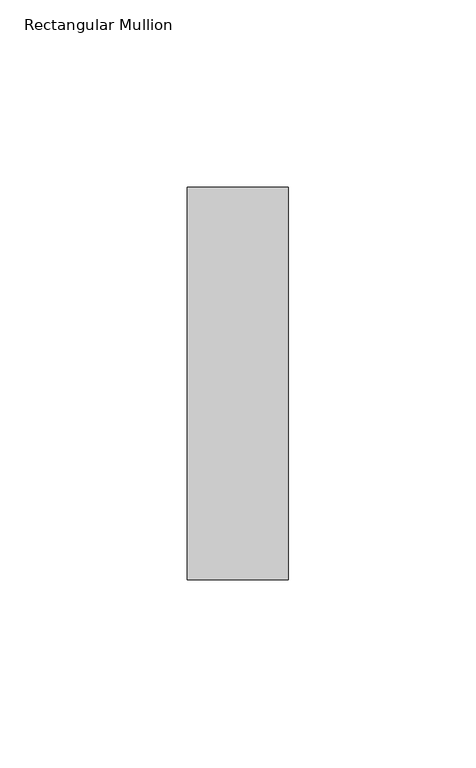
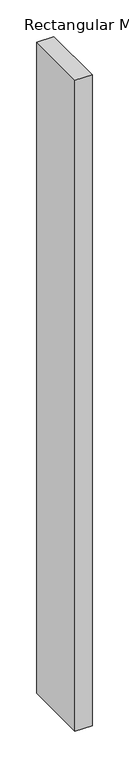
"""IFC4 building model written with IfcOpenShell, lengths in millimetres: member geometry, Rectangular Mullion."""

from ifc_helpers import new_model, si_unit, frame, origin, place, context, project, spatial, polyline, outline, extrude, source, transform, mapped, element, save


def rectangular_mullion_f66e8eae(model_context):
    return source(origin(), model_context, "Body", "SweptSolid", [
        extrude(outline(polyline([(0.0, 52.3975), (0.0, -52.3975), (-27.0, -52.3975), (-27.0, 52.3975), (0.0, 52.3975)])), frame((0.0, 0.0, -1086.0), z_axis=(0.0, 0.0, 1.0), x_axis=(1.0, 0.0, 0.0)), (0.0, 0.0, 1.0), 1086.0),
    ])


if __name__ == "__main__":
    model = new_model("IFC4")
    model_context = context("Model", 3, world=origin())
    ifc_project = project(units=[si_unit("LENGTHUNIT", "METRE", prefix="MILLI")], contexts=[model_context])
    site = spatial("IfcSite", under=ifc_project)
    building = spatial("IfcBuilding", under=site)
    placement = place(None, origin())
    rectangular_mullion_shape = rectangular_mullion_f66e8eae(model_context)
    element("IfcMember", 1, ObjectType="Rectangular Mullion", at=placement, inside=building, context=model_context, shape_type="MappedRepresentation", body=[
        mapped(rectangular_mullion_shape, transform((0.0, 0.0, 0.0), x_axis=(1.0, 0.0, 0.0), y_axis=(0.0, 1.0, 0.0), z_axis=(0.0, 0.0, 1.0))),
    ])
    save(model, "model.ifc")
